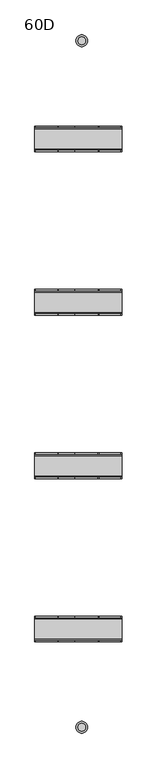
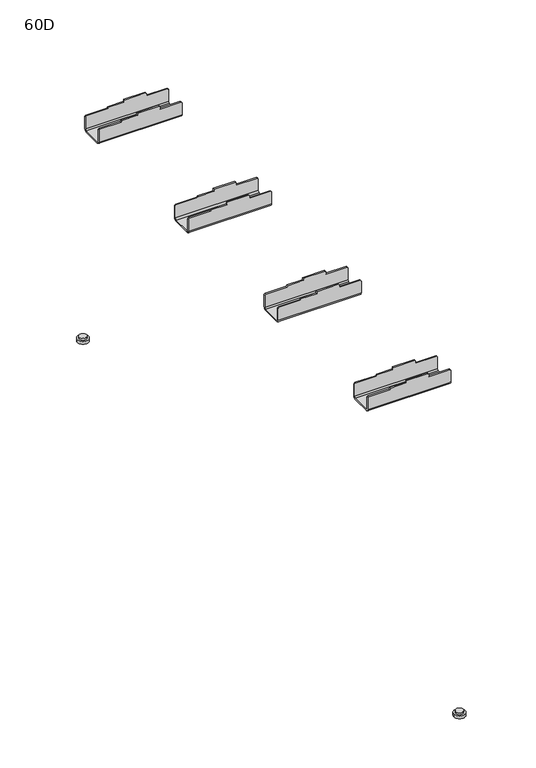
"""IFC4 building model written with IfcOpenShell, lengths in millimetres: furniture geometry, 60D."""

from ifc_helpers import new_model, si_unit, point, frame, frame_2d, origin, origin_with_axes, place, context, project, spatial, polyline, circle_curve, trimmed, segment, composite_curve, outline, extrude, source, transform, mapped, element, save
from ifc_brep_helpers import plane_surface, cylinder_surface, revolved_surface, advanced_brep


def furniture_60d_3f8e38ab(model_context):
    return source(origin(), model_context, "Body", "SolidModel", [
        advanced_brep(
        [(76.0, -500.4956, 652.15), (76.0, -503.4956, 649.15), (76.0, -546.5317055, 649.15), (76.0, -549.4956, 652.1138945), (76.0, -549.4956, 680.3638945), (76.0, -552.4956, 680.3638945), (76.0, -552.4956, 652.1138945), (76.0, -546.5317055, 646.15), (76.0, -503.4956, 646.15), (76.0, -497.4956, 652.15), (76.0, -497.4956, 680.3638945), (76.0, -500.4956, 680.3638945), (-111.0, -497.4956, 652.15), (-111.0, -503.4956, 646.15), (-111.0, -546.5317055, 646.15), (-111.0, -552.4956, 652.1138945), (-111.0, -552.4956, 680.3638945), (-111.0, -549.4956, 680.3638945), (-111.0, -549.4956, 652.1138945), (-111.0, -546.5317055, 649.15), (-111.0, -503.4956, 649.15), (-111.0, -500.4956, 652.15), (-111.0, -500.4956, 680.3638945), (-111.0, -497.4956, 680.3638945), (24.4638945, -497.4956, 690.15), (-24.078125, -497.4956, 690.15), (-24.078125, -500.4956, 690.15), (24.4638945, -500.4956, 690.15), (-109.0, -497.4956, 682.3638945), (-61.5, -497.4956, 682.3638945), (-59.5, -497.4956, 685.1138945), (-24.078125, -497.4956, 685.1138945), (26.5, -497.4956, 688.1138945), (26.5, -497.4956, 682.3638945), (74.0, -497.4956, 682.3638945), (74.0, -552.4956, 682.3638945), (26.5, -552.4956, 682.3638945), (26.5, -552.4956, 688.1138945), (24.5, -552.4956, 690.1138945), (-24.078125, -552.4956, 690.1138945), (-24.078125, -552.4956, 685.1138945), (-59.5, -552.4956, 685.1138945), (-61.5, -552.4956, 682.3638945), (-109.0, -552.4956, 682.3638945), (24.5, -549.4956, 690.1138945), (-24.078125, -549.4956, 690.1138945), (-109.0, -549.4956, 682.3638945), (-61.5, -549.4956, 682.3638945), (-59.5, -549.4956, 685.1138945), (-24.078125, -549.4956, 685.1138945), (26.5, -549.4956, 688.1138945), (26.5, -549.4956, 682.3638945), (74.0, -549.4956, 682.3638945), (74.0, -500.4956, 682.3638945), (26.5, -500.4956, 682.3638945), (26.5, -500.4956, 688.1138945), (-24.078125, -500.4956, 685.1138945), (-59.5, -500.4956, 685.1138945), (-61.5, -500.4956, 682.3638945), (-109.0, -500.4956, 682.3638945)],
        [
            (0, 1, circle_curve(frame((76.0, -503.4956, 652.15), z_axis=(-1.0, 0.0, 0.0), x_axis=(0.0, -1.0, 0.0)), 3.0)),
            (1, 2),
            (2, 3, circle_curve(frame((76.0, -546.5317055, 652.1138945), z_axis=(-1.0, 0.0, 0.0), x_axis=(0.0, -1.0, 0.0)), 2.9638945)),
            (3, 4),
            (4, 5),
            (5, 6),
            (6, 7, circle_curve(frame((76.0, -546.5317055, 652.1138945), z_axis=(1.0, 0.0, 0.0), x_axis=(0.0, -1.0, 0.0)), 5.9638945)),
            (7, 8),
            (8, 9, circle_curve(frame((76.0, -503.4956, 652.15), z_axis=(1.0, 0.0, 0.0), x_axis=(0.0, -1.0, 0.0)), 6.0)),
            (9, 10),
            (10, 11),
            (11, 0),
            (12, 13, circle_curve(frame((-111.0, -503.4956, 652.15), z_axis=(-1.0, 0.0, 0.0), x_axis=(0.0, -1.0, 0.0)), 6.0)),
            (13, 14),
            (14, 15, circle_curve(frame((-111.0, -546.5317055, 652.1138945), z_axis=(-1.0, 0.0, 0.0), x_axis=(0.0, -1.0, 0.0)), 5.9638945)),
            (15, 16),
            (16, 17),
            (17, 18),
            (18, 19, circle_curve(frame((-111.0, -546.5317055, 652.1138945), z_axis=(1.0, 0.0, 0.0), x_axis=(0.0, -1.0, 0.0)), 2.9638945)),
            (19, 20),
            (20, 21, circle_curve(frame((-111.0, -503.4956, 652.15), z_axis=(1.0, 0.0, 0.0), x_axis=(0.0, -1.0, 0.0)), 3.0)),
            (21, 22),
            (22, 23),
            (23, 12),
            (24, 25),
            (25, 26),
            (26, 27),
            (27, 24),
            (9, 12),
            (23, 28),
            (28, 29),
            (29, 30),
            (30, 31),
            (31, 25),
            (24, 32),
            (32, 33),
            (33, 34),
            (34, 10),
            (8, 13),
            (7, 14),
            (6, 15),
            (5, 35),
            (35, 36),
            (36, 37),
            (37, 38),
            (38, 39),
            (39, 40),
            (40, 41),
            (41, 42),
            (42, 43),
            (43, 16),
            (38, 44),
            (44, 45),
            (45, 39),
            (3, 18),
            (17, 46),
            (46, 47),
            (47, 48),
            (48, 49),
            (49, 45),
            (44, 50),
            (50, 51),
            (51, 52),
            (52, 4),
            (2, 19),
            (1, 20),
            (0, 21),
            (11, 53),
            (53, 54),
            (54, 55),
            (55, 27),
            (26, 56),
            (56, 57),
            (57, 58),
            (58, 59),
            (59, 22),
            (52, 35),
            (34, 53),
            (37, 50),
            (55, 32),
            (36, 51),
            (54, 33),
            (49, 40),
            (31, 56),
            (48, 41),
            (30, 57),
            (47, 42),
            (29, 58),
            (46, 43),
            (28, 59),
        ],
        [
            plane_surface(frame((76.0, -500.4956, 690.15), z_axis=(1.0, 0.0, 0.0), x_axis=(0.0, 0.0, -1.0))),
            plane_surface(frame((-111.0, -500.4956, 690.15), z_axis=(-1.0, 0.0, 0.0), x_axis=(0.0, 0.0, 1.0))),
            plane_surface(frame((76.0, -497.4956, 690.15), z_axis=(0.0, 0.0, 1.0), x_axis=(-1.0, 0.0, 0.0))),
            plane_surface(frame((76.0, -497.4956, 652.15), z_axis=(0.0, 1.0, 0.0), x_axis=(-1.0, 0.0, 0.0))),
            cylinder_surface(frame((-111.0, -503.4956, 652.15), z_axis=(1.0, 0.0, 0.0), x_axis=(0.0, -1.0, 0.0)), 6.0),
            plane_surface(frame((76.0, -546.5317055, 646.15), z_axis=(0.0, 0.0, -1.0), x_axis=(-1.0, 0.0, 0.0))),
            cylinder_surface(frame((-111.0, -546.5317055, 652.1138945), z_axis=(1.0, 0.0, 0.0), x_axis=(0.0, -1.0, 0.0)), 5.9638945),
            plane_surface(frame((76.0, -552.4956, 690.1138945), z_axis=(0.0, -1.0, 0.0), x_axis=(-1.0, 0.0, 0.0))),
            plane_surface(frame((76.0, -549.4956, 690.1138945), z_axis=(0.0, 0.0, 1.0), x_axis=(-1.0, 0.0, 0.0))),
            plane_surface(frame((76.0, -549.4956, 652.1138945), z_axis=(0.0, 1.0, 0.0), x_axis=(-1.0, 0.0, 0.0))),
            revolved_surface(polyline([(-111.0, -549.4956000000001, 652.1138945), (76.0, -549.4956000000001, 652.1138945)]), (-111.0, -546.5317055, 652.1138945), (-1.0, 0.0, 0.0)),
            plane_surface(frame((76.0, -503.4956, 649.15), z_axis=(0.0, 0.0, 1.0), x_axis=(-1.0, 0.0, 0.0))),
            revolved_surface(polyline([(-111.0, -506.4956, 652.15), (76.0, -506.4956, 652.15)]), (-111.0, -503.4956, 652.15), (-1.0, 0.0, 0.0)),
            plane_surface(frame((76.0, -500.4956, 690.15), z_axis=(0.0, -1.0, 0.0), x_axis=(-1.0, 0.0, 0.0))),
            plane_surface(frame((76.0, 552.7456, 680.3638945), z_axis=(0.7071067811865596, 0.0, 0.7071067811865356), x_axis=(0.0, -1.0, 0.0))),
            plane_surface(frame((26.5, 552.7456, 688.1138945), z_axis=(0.7071067811865506, 0.0, 0.7071067811865446), x_axis=(0.0, -1.0, 0.0))),
            plane_surface(frame((26.5, 552.7456, 682.3638945), z_axis=(1.0, 0.0, 0.0), x_axis=(0.0, -1.0, 0.0))),
            plane_surface(frame((74.0, 552.7456, 682.3638945), z_axis=(0.0, 0.0, 1.0), x_axis=(0.0, -1.0, 0.0))),
            plane_surface(frame((-24.078125, 552.7456, 690.1138945), z_axis=(-1.0, 0.0, 0.0), x_axis=(0.0, -1.0, 0.0))),
            plane_surface(frame((-24.078125, 552.7456, 685.1138945), z_axis=(0.0, 0.0, 1.0), x_axis=(0.0, -1.0, 0.0))),
            plane_surface(frame((-59.5, 552.7456, 685.1138945), z_axis=(-0.8087360843031073, 0.0, 0.5881716976751581), x_axis=(0.0, -1.0, 0.0))),
            plane_surface(frame((-61.5, 552.7456, 682.3638945), z_axis=(0.0, 0.0, 1.0), x_axis=(0.0, -1.0, 0.0))),
            plane_surface(frame((-109.0, 552.7456, 682.3638945), z_axis=(-0.7071067811865506, 0.0, 0.7071067811865446), x_axis=(0.0, -1.0, 0.0))),
        ],
        [
            (0, [[1, 2, 3, 4, 5, 6, 7, 8, 9, 10, 11, 12]]),
            (1, [[13, 14, 15, 16, 17, 18, 19, 20, 21, 22, 23, 24]]),
            (2, [[25, 26, 27, 28]]),
            (3, [[29, -24, 30, 31, 32, 33, 34, -25, 35, 36, 37, 38, -10]]),
            (4, [[-9, 39, -13, -29]]),
            (5, [[-8, 40, -14, -39]]),
            (6, [[-7, 41, -15, -40]]),
            (7, [[-41, -6, 42, 43, 44, 45, 46, 47, 48, 49, 50, 51, -16]]),
            (8, [[-46, 52, 53, 54]]),
            (9, [[55, -18, 56, 57, 58, 59, 60, -53, 61, 62, 63, 64, -4]]),
            (10, [[-3, 65, -19, -55]]),
            (11, [[-2, 66, -20, -65]]),
            (12, [[-1, 67, -21, -66]]),
            (13, [[-67, -12, 68, 69, 70, 71, -27, 72, 73, 74, 75, 76, -22]]),
            (14, [[77, -42, -5, -64]]),
            (14, [[78, -68, -11, -38]]),
            (15, [[79, -61, -52, -45]]),
            (15, [[80, -35, -28, -71]]),
            (16, [[-79, -44, 81, -62]]),
            (16, [[-80, -70, 82, -36]]),
            (17, [[-81, -43, -77, -63]]),
            (17, [[-82, -69, -78, -37]]),
            (18, [[83, -47, -54, -60]]),
            (18, [[84, -72, -26, -34]]),
            (19, [[-83, -59, 85, -48]]),
            (19, [[-84, -33, 86, -73]]),
            (20, [[-85, -58, 87, -49]]),
            (20, [[-86, -32, 88, -74]]),
            (21, [[-87, -57, 89, -50]]),
            (21, [[-88, -31, 90, -75]]),
            (22, [[-89, -56, -17, -51]]),
            (22, [[-90, -30, -23, -76]]),
        ],
    ),
        advanced_brep(
        [(74.0, -147.5, 682.3638945), (74.0, -150.5, 682.3638945), (76.0, -150.5, 680.3638945), (76.0, -147.5, 680.3638945), (74.0, -199.5, 682.3638945), (74.0, -202.5, 682.3638945), (76.0, -202.5, 680.3638945), (76.0, -199.5, 680.3638945), (26.5, -150.5, 688.1138945), (26.5, -147.5, 688.1138945), (24.4638945, -147.5, 690.15), (24.4638945, -150.5, 690.15), (26.5, -202.5, 688.1138945), (26.5, -199.5, 688.1138945), (24.4638945, -199.5, 690.15), (24.4638945, -202.5, 690.15), (26.5, -150.5, 682.3638945), (26.5, -147.5, 682.3638945), (26.5, -202.5, 682.3638945), (26.5, -199.5, 682.3638945), (-24.078125, -147.5, 685.1138945), (-24.078125, -150.5, 685.1138945), (-24.078125, -150.5, 690.15), (-24.078125, -147.5, 690.15), (-24.078125, -199.5, 685.1138945), (-24.078125, -202.5, 685.1138945), (-24.078125, -202.5, 690.15), (-24.078125, -199.5, 690.15), (-59.5, -147.5, 685.1138945), (-59.5, -150.5, 685.1138945), (-59.5, -199.5, 685.1138945), (-59.5, -202.5, 685.1138945), (-61.5, -147.5, 682.3638945), (-61.5, -150.5, 682.3638945), (-61.5, -199.5, 682.3638945), (-61.5, -202.5, 682.3638945), (-109.0, -147.5, 682.3638945), (-109.0, -150.5, 682.3638945), (-109.0, -199.5, 682.3638945), (-109.0, -202.5, 682.3638945), (-111.0, -147.5, 680.3638945), (-111.0, -150.5, 680.3638945), (-111.0, -199.5, 680.3638945), (-111.0, -202.5, 680.3638945), (76.0, -202.5, 652.1138945), (76.0, -196.5361055, 646.15), (76.0, -153.5, 646.15), (76.0, -147.5, 652.15), (76.0, -150.5, 652.15), (76.0, -153.5, 649.15), (76.0, -196.5361055, 649.15), (76.0, -199.5, 652.1138945), (-111.0, -199.5, 652.1138945), (-111.0, -196.5361055, 649.15), (-111.0, -153.5, 649.15), (-111.0, -150.5, 652.15), (-111.0, -147.5, 652.15), (-111.0, -153.5, 646.15), (-111.0, -196.5361055, 646.15), (-111.0, -202.5, 652.1138945)],
        [
            (0, 1),
            (1, 2),
            (2, 3),
            (3, 0),
            (4, 5),
            (5, 6),
            (6, 7),
            (7, 4),
            (8, 9),
            (9, 10),
            (10, 11),
            (11, 8),
            (12, 13),
            (13, 14),
            (14, 15),
            (15, 12),
            (8, 16),
            (16, 17),
            (17, 9),
            (12, 18),
            (18, 19),
            (19, 13),
            (16, 1),
            (0, 17),
            (18, 5),
            (4, 19),
            (20, 21),
            (21, 22),
            (22, 23),
            (23, 20),
            (24, 25),
            (25, 26),
            (26, 27),
            (27, 24),
            (20, 28),
            (28, 29),
            (29, 21),
            (24, 30),
            (30, 31),
            (31, 25),
            (28, 32),
            (32, 33),
            (33, 29),
            (30, 34),
            (34, 35),
            (35, 31),
            (32, 36),
            (36, 37),
            (37, 33),
            (34, 38),
            (38, 39),
            (39, 35),
            (36, 40),
            (40, 41),
            (41, 37),
            (38, 42),
            (42, 43),
            (43, 39),
            (44, 45, circle_curve(frame((76.0, -196.5361055, 652.1138945), z_axis=(1.0, 0.0, 0.0), x_axis=(0.0, 1.0, 0.0)), 5.9638945)),
            (45, 46),
            (46, 47, circle_curve(frame((76.0, -153.5, 652.15), z_axis=(1.0, 0.0, 0.0), x_axis=(0.0, 1.0, 0.0)), 6.0)),
            (47, 3),
            (2, 48),
            (48, 49, circle_curve(frame((76.0, -153.5, 652.15), z_axis=(-1.0, 0.0, 0.0), x_axis=(0.0, 1.0, 0.0)), 3.0)),
            (49, 50),
            (50, 51, circle_curve(frame((76.0, -196.5361055, 652.1138945), z_axis=(-1.0, 0.0, 0.0), x_axis=(0.0, 1.0, 0.0)), 2.9638945)),
            (51, 7),
            (6, 44),
            (52, 53, circle_curve(frame((-111.0, -196.5361055, 652.1138945), z_axis=(1.0, 0.0, 0.0), x_axis=(0.0, 1.0, 0.0)), 2.9638945)),
            (53, 54),
            (54, 55, circle_curve(frame((-111.0, -153.5, 652.15), z_axis=(1.0, 0.0, 0.0), x_axis=(0.0, 1.0, 0.0)), 3.0)),
            (55, 41),
            (40, 56),
            (56, 57, circle_curve(frame((-111.0, -153.5, 652.15), z_axis=(-1.0, 0.0, 0.0), x_axis=(0.0, 1.0, 0.0)), 6.0)),
            (57, 58),
            (58, 59, circle_curve(frame((-111.0, -196.5361055, 652.1138945), z_axis=(-1.0, 0.0, 0.0), x_axis=(0.0, 1.0, 0.0)), 5.9638945)),
            (59, 43),
            (42, 52),
            (14, 27),
            (26, 15),
            (59, 44),
            (58, 45),
            (57, 46),
            (56, 47),
            (23, 10),
            (22, 11),
            (55, 48),
            (54, 49),
            (53, 50),
            (52, 51),
        ],
        [
            plane_surface(frame((76.0, 552.7456, 680.3638945), z_axis=(0.7071067811865596, 0.0, 0.7071067811865356), x_axis=(0.0, -1.0, 0.0))),
            plane_surface(frame((26.5, 552.7456, 688.1138945), z_axis=(0.7071067811865506, 0.0, 0.7071067811865446), x_axis=(0.0, -1.0, 0.0))),
            plane_surface(frame((26.5, 552.7456, 682.3638945), z_axis=(1.0, 0.0, 0.0), x_axis=(0.0, -1.0, 0.0))),
            plane_surface(frame((74.0, 552.7456, 682.3638945), z_axis=(0.0, 0.0, 1.0), x_axis=(0.0, -1.0, 0.0))),
            plane_surface(frame((-24.078125, 552.7456, 690.1138945), z_axis=(-1.0, 0.0, 0.0), x_axis=(0.0, -1.0, 0.0))),
            plane_surface(frame((-24.078125, 552.7456, 685.1138945), z_axis=(0.0, 0.0, 1.0), x_axis=(0.0, -1.0, 0.0))),
            plane_surface(frame((-59.5, 552.7456, 685.1138945), z_axis=(-0.8087360843031073, 0.0, 0.5881716976751581), x_axis=(0.0, -1.0, 0.0))),
            plane_surface(frame((-61.5, 552.7456, 682.3638945), z_axis=(0.0, 0.0, 1.0), x_axis=(0.0, -1.0, 0.0))),
            plane_surface(frame((-109.0, 552.7456, 682.3638945), z_axis=(-0.7071067811865506, 0.0, 0.7071067811865446), x_axis=(0.0, -1.0, 0.0))),
            plane_surface(frame((76.0, -202.5, 690.15), z_axis=(1.0, 0.0, 0.0), x_axis=(0.0, -1.0, 0.0))),
            plane_surface(frame((-111.0, -202.5, 690.15), z_axis=(-1.0, 0.0, 0.0), x_axis=(0.0, 1.0, 0.0))),
            plane_surface(frame((76.0, -199.5, 690.15), z_axis=(0.0, 0.0, 1.0), x_axis=(-1.0, 0.0, 0.0))),
            plane_surface(frame((76.0, -202.5, 690.15), z_axis=(0.0, -1.0, 0.0), x_axis=(-1.0, 0.0, 0.0))),
            cylinder_surface(frame((-111.0, -196.5361055, 652.1138945), z_axis=(1.0, 0.0, 0.0), x_axis=(0.0, 1.0, 0.0)), 5.9638945),
            plane_surface(frame((76.0, -196.5361055, 646.15), z_axis=(0.0, 0.0, -1.0), x_axis=(-1.0, 0.0, 0.0))),
            cylinder_surface(frame((-111.0, -153.5, 652.15), z_axis=(1.0, 0.0, 0.0), x_axis=(0.0, 1.0, 0.0)), 6.0),
            plane_surface(frame((76.0, -147.5, 652.15), z_axis=(0.0, 1.0, 0.0), x_axis=(-1.0, 0.0, 0.0))),
            plane_surface(frame((76.0, -147.5, 690.15), z_axis=(0.0, 0.0, 1.0), x_axis=(-1.0, 0.0, 0.0))),
            plane_surface(frame((76.0, -150.5, 690.15), z_axis=(0.0, -1.0, 0.0), x_axis=(-1.0, 0.0, 0.0))),
            revolved_surface(polyline([(-111.0, -150.5, 652.15), (76.0, -150.5, 652.15)]), (-111.0, -153.5, 652.15), (-1.0, 0.0, 0.0)),
            plane_surface(frame((76.0, -153.5, 649.15), z_axis=(0.0, 0.0, 1.0), x_axis=(-1.0, 0.0, 0.0))),
            revolved_surface(polyline([(-111.0, -193.57221099999998, 652.1138945), (76.0, -193.57221099999998, 652.1138945)]), (-111.0, -196.5361055, 652.1138945), (-1.0, 0.0, 0.0)),
            plane_surface(frame((76.0, -199.5, 652.1138945), z_axis=(0.0, 1.0, 0.0), x_axis=(-1.0, 0.0, 0.0))),
        ],
        [
            (0, [[1, 2, 3, 4]]),
            (0, [[5, 6, 7, 8]]),
            (1, [[9, 10, 11, 12]]),
            (1, [[13, 14, 15, 16]]),
            (2, [[-9, 17, 18, 19]]),
            (2, [[-13, 20, 21, 22]]),
            (3, [[-18, 23, -1, 24]]),
            (3, [[-21, 25, -5, 26]]),
            (4, [[27, 28, 29, 30]]),
            (4, [[31, 32, 33, 34]]),
            (5, [[-27, 35, 36, 37]]),
            (5, [[-31, 38, 39, 40]]),
            (6, [[-36, 41, 42, 43]]),
            (6, [[-39, 44, 45, 46]]),
            (7, [[-42, 47, 48, 49]]),
            (7, [[-45, 50, 51, 52]]),
            (8, [[-48, 53, 54, 55]]),
            (8, [[-51, 56, 57, 58]]),
            (9, [[59, 60, 61, 62, -3, 63, 64, 65, 66, 67, -7, 68]]),
            (10, [[69, 70, 71, 72, -54, 73, 74, 75, 76, 77, -57, 78]]),
            (11, [[79, -33, 80, -15]]),
            (12, [[81, -68, -6, -25, -20, -16, -80, -32, -40, -46, -52, -58, -77]]),
            (13, [[-59, -81, -76, 82]]),
            (14, [[-60, -82, -75, 83]]),
            (15, [[-61, -83, -74, 84]]),
            (16, [[-84, -73, -53, -47, -41, -35, -30, 85, -10, -19, -24, -4, -62]]),
            (17, [[-85, -29, 86, -11]]),
            (18, [[87, -63, -2, -23, -17, -12, -86, -28, -37, -43, -49, -55, -72]]),
            (19, [[-64, -87, -71, 88]]),
            (20, [[-65, -88, -70, 89]]),
            (21, [[-66, -89, -69, 90]]),
            (22, [[-90, -78, -56, -50, -44, -38, -34, -79, -14, -22, -26, -8, -67]]),
        ],
    ),
        advanced_brep(
        [(76.0, 147.5, 652.1138945), (76.0, 153.5, 646.1138945), (76.0, 196.5, 646.1138945), (76.0, 202.5, 652.1138945), (76.0, 202.5, 680.3638945), (76.0, 199.5, 680.3638945), (76.0, 199.5, 652.1138945), (76.0, 196.5, 649.1138945), (76.0, 153.5, 649.1138945), (76.0, 150.5, 652.1138945), (76.0, 150.5, 680.3638945), (76.0, 147.5, 680.3638945), (-111.0, 150.5, 652.1138945), (-111.0, 153.5, 649.1138945), (-111.0, 196.5, 649.1138945), (-111.0, 199.5, 652.1138945), (-111.0, 199.5, 680.3638945), (-111.0, 202.5, 680.3638945), (-111.0, 202.5, 652.1138945), (-111.0, 196.5, 646.1138945), (-111.0, 153.5, 646.1138945), (-111.0, 147.5, 652.1138945), (-111.0, 147.5, 680.3638945), (-111.0, 150.5, 680.3638945), (24.5, 150.5, 690.1138945), (-24.078125, 150.5, 690.1138945), (-24.078125, 147.5, 690.1138945), (24.5, 147.5, 690.1138945), (74.0, 147.5, 682.3638945), (26.5, 147.5, 682.3638945), (26.5, 147.5, 688.1138945), (-24.078125, 147.5, 685.1138945), (-59.5, 147.5, 685.1138945), (-61.5, 147.5, 682.3638945), (-109.0, 147.5, 682.3638945), (-109.0, 202.5, 682.3638945), (-61.5, 202.5, 682.3638945), (-59.5, 202.5, 685.1138945), (-24.078125, 202.5, 685.1138945), (-24.078125, 202.5, 690.1138945), (24.5, 202.5, 690.1138945), (26.5, 202.5, 688.1138945), (26.5, 202.5, 682.3638945), (74.0, 202.5, 682.3638945), (-24.078125, 199.5, 690.1138945), (24.5, 199.5, 690.1138945), (74.0, 199.5, 682.3638945), (26.5, 199.5, 682.3638945), (26.5, 199.5, 688.1138945), (-24.078125, 199.5, 685.1138945), (-59.5, 199.5, 685.1138945), (-61.5, 199.5, 682.3638945), (-109.0, 199.5, 682.3638945), (-109.0, 150.5, 682.3638945), (-61.5, 150.5, 682.3638945), (-59.5, 150.5, 685.1138945), (-24.078125, 150.5, 685.1138945), (26.5, 150.5, 688.1138945), (26.5, 150.5, 682.3638945), (74.0, 150.5, 682.3638945)],
        [
            (0, 1, circle_curve(frame((76.0, 153.5, 652.1138945), z_axis=(1.0, 0.0, 0.0), x_axis=(0.0, 1.0, 0.0)), 6.0)),
            (1, 2),
            (2, 3, circle_curve(frame((76.0, 196.5, 652.1138945), z_axis=(1.0, 0.0, 0.0), x_axis=(0.0, 1.0, 0.0)), 6.0)),
            (3, 4),
            (4, 5),
            (5, 6),
            (6, 7, circle_curve(frame((76.0, 196.5, 652.1138945), z_axis=(-1.0, 0.0, 0.0), x_axis=(0.0, 1.0, 0.0)), 3.0)),
            (7, 8),
            (8, 9, circle_curve(frame((76.0, 153.5, 652.1138945), z_axis=(-1.0, 0.0, 0.0), x_axis=(0.0, 1.0, 0.0)), 3.0)),
            (9, 10),
            (10, 11),
            (11, 0),
            (12, 13, circle_curve(frame((-111.0, 153.5, 652.1138945), z_axis=(1.0, 0.0, 0.0), x_axis=(0.0, 1.0, 0.0)), 3.0)),
            (13, 14),
            (14, 15, circle_curve(frame((-111.0, 196.5, 652.1138945), z_axis=(1.0, 0.0, 0.0), x_axis=(0.0, 1.0, 0.0)), 3.0)),
            (15, 16),
            (16, 17),
            (17, 18),
            (18, 19, circle_curve(frame((-111.0, 196.5, 652.1138945), z_axis=(-1.0, 0.0, 0.0), x_axis=(0.0, 1.0, 0.0)), 6.0)),
            (19, 20),
            (20, 21, circle_curve(frame((-111.0, 153.5, 652.1138945), z_axis=(-1.0, 0.0, 0.0), x_axis=(0.0, 1.0, 0.0)), 6.0)),
            (21, 22),
            (22, 23),
            (23, 12),
            (24, 25),
            (25, 26),
            (26, 27),
            (27, 24),
            (21, 0),
            (11, 28),
            (28, 29),
            (29, 30),
            (30, 27),
            (26, 31),
            (31, 32),
            (32, 33),
            (33, 34),
            (34, 22),
            (20, 1),
            (19, 2),
            (18, 3),
            (17, 35),
            (35, 36),
            (36, 37),
            (37, 38),
            (38, 39),
            (39, 40),
            (40, 41),
            (41, 42),
            (42, 43),
            (43, 4),
            (39, 44),
            (44, 45),
            (45, 40),
            (15, 6),
            (5, 46),
            (46, 47),
            (47, 48),
            (48, 45),
            (44, 49),
            (49, 50),
            (50, 51),
            (51, 52),
            (52, 16),
            (14, 7),
            (13, 8),
            (12, 9),
            (23, 53),
            (53, 54),
            (54, 55),
            (55, 56),
            (56, 25),
            (24, 57),
            (57, 58),
            (58, 59),
            (59, 10),
            (43, 46),
            (59, 28),
            (48, 41),
            (30, 57),
            (47, 42),
            (29, 58),
            (38, 49),
            (56, 31),
            (37, 50),
            (55, 32),
            (36, 51),
            (54, 33),
            (35, 52),
            (53, 34),
        ],
        [
            plane_surface(frame((76.0, 147.5, 690.1138945), z_axis=(1.0, 0.0, 0.0), x_axis=(0.0, -1.0, 0.0))),
            plane_surface(frame((-111.0, 147.5, 690.1138945), z_axis=(-1.0, 0.0, 0.0), x_axis=(0.0, 1.0, 0.0))),
            plane_surface(frame((76.0, 150.5, 690.1138945), z_axis=(0.0, 0.0, 1.0), x_axis=(-1.0, 0.0, 0.0))),
            plane_surface(frame((76.0, 147.5, 690.1138945), z_axis=(0.0, -1.0, 0.0), x_axis=(-1.0, 0.0, 0.0))),
            cylinder_surface(frame((-111.0, 153.5, 652.1138945), z_axis=(1.0, 0.0, 0.0), x_axis=(0.0, 1.0, 0.0)), 6.0),
            plane_surface(frame((76.0, 153.5, 646.1138945), z_axis=(0.0, 0.0, -1.0), x_axis=(-1.0, 0.0, 0.0))),
            cylinder_surface(frame((-111.0, 196.5, 652.1138945), z_axis=(1.0, 0.0, 0.0), x_axis=(0.0, 1.0, 0.0)), 6.0),
            plane_surface(frame((76.0, 202.5, 652.1138945), z_axis=(0.0, 1.0, 0.0), x_axis=(-1.0, 0.0, 0.0))),
            plane_surface(frame((76.0, 202.5, 690.1138945), z_axis=(0.0, 0.0, 1.0), x_axis=(-1.0, 0.0, 0.0))),
            plane_surface(frame((76.0, 199.5, 690.1138945), z_axis=(0.0, -1.0, 0.0), x_axis=(-1.0, 0.0, 0.0))),
            revolved_surface(polyline([(-111.0, 199.5, 652.1138945), (76.0, 199.5, 652.1138945)]), (-111.0, 196.5, 652.1138945), (-1.0, 0.0, 0.0)),
            plane_surface(frame((76.0, 196.5, 649.1138945), z_axis=(0.0, 0.0, 1.0), x_axis=(-1.0, 0.0, 0.0))),
            revolved_surface(polyline([(-111.0, 156.5, 652.1138945), (76.0, 156.5, 652.1138945)]), (-111.0, 153.5, 652.1138945), (-1.0, 0.0, 0.0)),
            plane_surface(frame((76.0, 150.5, 652.1138945), z_axis=(0.0, 1.0, 0.0), x_axis=(-1.0, 0.0, 0.0))),
            plane_surface(frame((76.0, 552.7456, 680.3638945), z_axis=(0.7071067811865596, 0.0, 0.7071067811865356), x_axis=(0.0, -1.0, 0.0))),
            plane_surface(frame((26.5, 552.7456, 688.1138945), z_axis=(0.7071067811865506, 0.0, 0.7071067811865446), x_axis=(0.0, -1.0, 0.0))),
            plane_surface(frame((26.5, 552.7456, 682.3638945), z_axis=(1.0, 0.0, 0.0), x_axis=(0.0, -1.0, 0.0))),
            plane_surface(frame((74.0, 552.7456, 682.3638945), z_axis=(0.0, 0.0, 1.0), x_axis=(0.0, -1.0, 0.0))),
            plane_surface(frame((-24.078125, 552.7456, 690.1138945), z_axis=(-1.0, 0.0, 0.0), x_axis=(0.0, -1.0, 0.0))),
            plane_surface(frame((-24.078125, 552.7456, 685.1138945), z_axis=(0.0, 0.0, 1.0), x_axis=(0.0, -1.0, 0.0))),
            plane_surface(frame((-59.5, 552.7456, 685.1138945), z_axis=(-0.8087360843031073, 0.0, 0.5881716976751581), x_axis=(0.0, -1.0, 0.0))),
            plane_surface(frame((-61.5, 552.7456, 682.3638945), z_axis=(0.0, 0.0, 1.0), x_axis=(0.0, -1.0, 0.0))),
            plane_surface(frame((-109.0, 552.7456, 682.3638945), z_axis=(-0.7071067811865506, 0.0, 0.7071067811865446), x_axis=(0.0, -1.0, 0.0))),
        ],
        [
            (0, [[1, 2, 3, 4, 5, 6, 7, 8, 9, 10, 11, 12]]),
            (1, [[13, 14, 15, 16, 17, 18, 19, 20, 21, 22, 23, 24]]),
            (2, [[25, 26, 27, 28]]),
            (3, [[29, -12, 30, 31, 32, 33, -27, 34, 35, 36, 37, 38, -22]]),
            (4, [[-1, -29, -21, 39]]),
            (5, [[-2, -39, -20, 40]]),
            (6, [[-3, -40, -19, 41]]),
            (7, [[-41, -18, 42, 43, 44, 45, 46, 47, 48, 49, 50, 51, -4]]),
            (8, [[-47, 52, 53, 54]]),
            (9, [[55, -6, 56, 57, 58, 59, -53, 60, 61, 62, 63, 64, -16]]),
            (10, [[-7, -55, -15, 65]]),
            (11, [[-8, -65, -14, 66]]),
            (12, [[-9, -66, -13, 67]]),
            (13, [[-67, -24, 68, 69, 70, 71, 72, -25, 73, 74, 75, 76, -10]]),
            (14, [[77, -56, -5, -51]]),
            (14, [[78, -30, -11, -76]]),
            (15, [[79, -48, -54, -59]]),
            (15, [[80, -73, -28, -33]]),
            (16, [[-79, -58, 81, -49]]),
            (16, [[-80, -32, 82, -74]]),
            (17, [[-81, -57, -77, -50]]),
            (17, [[-82, -31, -78, -75]]),
            (18, [[83, -60, -52, -46]]),
            (18, [[84, -34, -26, -72]]),
            (19, [[-83, -45, 85, -61]]),
            (19, [[-84, -71, 86, -35]]),
            (20, [[-85, -44, 87, -62]]),
            (20, [[-86, -70, 88, -36]]),
            (21, [[-87, -43, 89, -63]]),
            (21, [[-88, -69, 90, -37]]),
            (22, [[-89, -42, -17, -64]]),
            (22, [[-90, -68, -23, -38]]),
        ],
    ),
        extrude(outline(composite_curve([segment(trimmed(circle_curve(frame_2d((-10.0134902, -735.1087961)), 8.2529367), [point((-18.2664269, -735.1087961))], [point((-1.7605535, -735.1087961))], False, "CARTESIAN"), True, "CONTINUOUS"), segment(trimmed(circle_curve(frame_2d((-10.0134902, -735.1087961)), 8.2529367), [point((-1.7605535, -735.1087961))], [point((-18.2664269, -735.1087961))], False, "CARTESIAN"), True, "CONTINUOUS")], self_intersect=False)), frame((0.0, 0.0, 6.5), z_axis=(0.0, 0.0, 1.0), x_axis=(1.0, 0.0, 0.0)), (0.0, 0.0, 1.0), 4.5),
        extrude(outline(composite_curve([segment(trimmed(circle_curve(frame_2d((-10.0157414, -735.1087961)), 12.5869389), [point((-22.6026802, -735.1087961))], [point((2.5711975, -735.1087961))], False, "CARTESIAN"), True, "CONTINUOUS"), segment(trimmed(circle_curve(frame_2d((-10.0157414, -735.1087961)), 12.5869389), [point((2.5711975, -735.1087961))], [point((-22.6026802, -735.1087961))], False, "CARTESIAN"), True, "CONTINUOUS")], self_intersect=False)), origin_with_axes(), (0.0, 0.0, 1.0), 6.5),
        extrude(outline(composite_curve([segment(trimmed(circle_curve(frame_2d((-10.0134902, 735.1087961)), 8.2529367), [point((-18.2664269, 735.1087961))], [point((-1.7605535, 735.1087961))], False, "CARTESIAN"), True, "CONTINUOUS"), segment(trimmed(circle_curve(frame_2d((-10.0134902, 735.1087961)), 8.2529367), [point((-1.7605535, 735.1087961))], [point((-18.2664269, 735.1087961))], False, "CARTESIAN"), True, "CONTINUOUS")], self_intersect=False)), frame((0.0, 0.0, 6.5), z_axis=(0.0, 0.0, 1.0), x_axis=(1.0, 0.0, 0.0)), (0.0, 0.0, 1.0), 4.5),
        extrude(outline(composite_curve([segment(trimmed(circle_curve(frame_2d((-10.0157414, 735.1087961)), 12.5869389), [point((-22.6026802, 735.1087961))], [point((2.5711975, 735.1087961))], False, "CARTESIAN"), True, "CONTINUOUS"), segment(trimmed(circle_curve(frame_2d((-10.0157414, 735.1087961)), 12.5869389), [point((2.5711975, 735.1087961))], [point((-22.6026802, 735.1087961))], False, "CARTESIAN"), True, "CONTINUOUS")], self_intersect=False)), origin_with_axes(), (0.0, 0.0, 1.0), 6.5),
        advanced_brep(
        [(76.0, 497.4956, 652.15), (76.0, 503.4956, 646.15), (76.0, 546.5317055, 646.15), (76.0, 552.4956, 652.1138945), (76.0, 552.4956, 680.3638945), (76.0, 549.4956, 680.3638945), (76.0, 549.4956, 652.1138945), (76.0, 546.5317055, 649.15), (76.0, 503.4956, 649.15), (76.0, 500.4956, 652.15), (76.0, 500.4956, 680.3638945), (76.0, 497.4956, 680.3638945), (-111.0, 500.4956, 652.15), (-111.0, 503.4956, 649.15), (-111.0, 546.5317055, 649.15), (-111.0, 549.4956, 652.1138945), (-111.0, 549.4956, 680.3638945), (-111.0, 552.4956, 680.3638945), (-111.0, 552.4956, 652.1138945), (-111.0, 546.5317055, 646.15), (-111.0, 503.4956, 646.15), (-111.0, 497.4956, 652.15), (-111.0, 497.4956, 680.3638945), (-111.0, 500.4956, 680.3638945), (24.4638945, 500.4956, 690.15), (-24.078125, 500.4956, 690.15), (-24.078125, 497.4956, 690.15), (24.4638945, 497.4956, 690.15), (74.0, 497.4956, 682.3638945), (26.5, 497.4956, 682.3638945), (26.5, 497.4956, 688.1138945), (-24.078125, 497.4956, 685.1138945), (-59.5, 497.4956, 685.1138945), (-61.5, 497.4956, 682.3638945), (-109.0, 497.4956, 682.3638945), (-109.0, 552.4956, 682.3638945), (-61.5, 552.4956, 682.3638945), (-59.5, 552.4956, 685.1138945), (-24.078125, 552.4956, 685.1138945), (-24.078125, 552.4956, 690.15), (24.4638945, 552.4956, 690.15), (26.5, 552.4956, 688.1138945), (26.5, 552.4956, 682.3638945), (74.0, 552.4956, 682.3638945), (-24.078125, 549.4956, 690.15), (24.4638945, 549.4956, 690.15), (74.0, 549.4956, 682.3638945), (26.5, 549.4956, 682.3638945), (26.5, 549.4956, 688.1138945), (-24.078125, 549.4956, 685.1138945), (-59.5, 549.4956, 685.1138945), (-61.5, 549.4956, 682.3638945), (-109.0, 549.4956, 682.3638945), (-109.0, 500.4956, 682.3638945), (-61.5, 500.4956, 682.3638945), (-59.5, 500.4956, 685.1138945), (-24.078125, 500.4956, 685.1138945), (26.5, 500.4956, 688.1138945), (26.5, 500.4956, 682.3638945), (74.0, 500.4956, 682.3638945)],
        [
            (0, 1, circle_curve(frame((76.0, 503.4956, 652.15), z_axis=(1.0, 0.0, 0.0), x_axis=(0.0, 1.0, 0.0)), 6.0)),
            (1, 2),
            (2, 3, circle_curve(frame((76.0, 546.5317055, 652.1138945), z_axis=(1.0, 0.0, 0.0), x_axis=(0.0, 1.0, 0.0)), 5.9638945)),
            (3, 4),
            (4, 5),
            (5, 6),
            (6, 7, circle_curve(frame((76.0, 546.5317055, 652.1138945), z_axis=(-1.0, 0.0, 0.0), x_axis=(0.0, 1.0, 0.0)), 2.9638945)),
            (7, 8),
            (8, 9, circle_curve(frame((76.0, 503.4956, 652.15), z_axis=(-1.0, 0.0, 0.0), x_axis=(0.0, 1.0, 0.0)), 3.0)),
            (9, 10),
            (10, 11),
            (11, 0),
            (12, 13, circle_curve(frame((-111.0, 503.4956, 652.15), z_axis=(1.0, 0.0, 0.0), x_axis=(0.0, 1.0, 0.0)), 3.0)),
            (13, 14),
            (14, 15, circle_curve(frame((-111.0, 546.5317055, 652.1138945), z_axis=(1.0, 0.0, 0.0), x_axis=(0.0, 1.0, 0.0)), 2.9638945)),
            (15, 16),
            (16, 17),
            (17, 18),
            (18, 19, circle_curve(frame((-111.0, 546.5317055, 652.1138945), z_axis=(-1.0, 0.0, 0.0), x_axis=(0.0, 1.0, 0.0)), 5.9638945)),
            (19, 20),
            (20, 21, circle_curve(frame((-111.0, 503.4956, 652.15), z_axis=(-1.0, 0.0, 0.0), x_axis=(0.0, 1.0, 0.0)), 6.0)),
            (21, 22),
            (22, 23),
            (23, 12),
            (24, 25),
            (25, 26),
            (26, 27),
            (27, 24),
            (21, 0),
            (11, 28),
            (28, 29),
            (29, 30),
            (30, 27),
            (26, 31),
            (31, 32),
            (32, 33),
            (33, 34),
            (34, 22),
            (20, 1),
            (19, 2),
            (18, 3),
            (17, 35),
            (35, 36),
            (36, 37),
            (37, 38),
            (38, 39),
            (39, 40),
            (40, 41),
            (41, 42),
            (42, 43),
            (43, 4),
            (39, 44),
            (44, 45),
            (45, 40),
            (15, 6),
            (5, 46),
            (46, 47),
            (47, 48),
            (48, 45),
            (44, 49),
            (49, 50),
            (50, 51),
            (51, 52),
            (52, 16),
            (14, 7),
            (13, 8),
            (12, 9),
            (23, 53),
            (53, 54),
            (54, 55),
            (55, 56),
            (56, 25),
            (24, 57),
            (57, 58),
            (58, 59),
            (59, 10),
            (43, 46),
            (59, 28),
            (48, 41),
            (30, 57),
            (47, 42),
            (29, 58),
            (38, 49),
            (56, 31),
            (37, 50),
            (55, 32),
            (36, 51),
            (54, 33),
            (35, 52),
            (53, 34),
        ],
        [
            plane_surface(frame((76.0, 497.4956, 690.15), z_axis=(1.0, 0.0, 0.0), x_axis=(0.0, -1.0, 0.0))),
            plane_surface(frame((-111.0, 497.4956, 690.15), z_axis=(-1.0, 0.0, 0.0), x_axis=(0.0, 1.0, 0.0))),
            plane_surface(frame((76.0, 500.4956, 690.15), z_axis=(0.0, 0.0, 1.0), x_axis=(-1.0, 0.0, 0.0))),
            plane_surface(frame((76.0, 497.4956, 690.15), z_axis=(0.0, -1.0, 0.0), x_axis=(-1.0, 0.0, 0.0))),
            cylinder_surface(frame((-111.0, 503.4956, 652.15), z_axis=(1.0, 0.0, 0.0), x_axis=(0.0, 1.0, 0.0)), 6.0),
            plane_surface(frame((76.0, 503.4956, 646.15), z_axis=(0.0, 0.0, -1.0), x_axis=(-1.0, 0.0, 0.0))),
            cylinder_surface(frame((-111.0, 546.5317055, 652.1138945), z_axis=(1.0, 0.0, 0.0), x_axis=(0.0, 1.0, 0.0)), 5.9638945),
            plane_surface(frame((76.0, 552.4956, 652.1138945), z_axis=(0.0, 1.0, 0.0), x_axis=(-1.0, 0.0, 0.0))),
            plane_surface(frame((76.0, 552.4956, 690.15), z_axis=(0.0, 0.0, 1.0), x_axis=(-1.0, 0.0, 0.0))),
            plane_surface(frame((76.0, 549.4956, 690.15), z_axis=(0.0, -1.0, 0.0), x_axis=(-1.0, 0.0, 0.0))),
            revolved_surface(polyline([(-111.0, 549.4956000000001, 652.1138945), (76.0, 549.4956000000001, 652.1138945)]), (-111.0, 546.5317055, 652.1138945), (-1.0, 0.0, 0.0)),
            plane_surface(frame((76.0, 546.5317055, 649.15), z_axis=(0.0, 0.0, 1.0), x_axis=(-1.0, 0.0, 0.0))),
            revolved_surface(polyline([(-111.0, 506.4956, 652.15), (76.0, 506.4956, 652.15)]), (-111.0, 503.4956, 652.15), (-1.0, 0.0, 0.0)),
            plane_surface(frame((76.0, 500.4956, 652.15), z_axis=(0.0, 1.0, 0.0), x_axis=(-1.0, 0.0, 0.0))),
            plane_surface(frame((76.0, 552.7456, 680.3638945), z_axis=(0.7071067811865596, 0.0, 0.7071067811865356), x_axis=(0.0, -1.0, 0.0))),
            plane_surface(frame((26.5, 552.7456, 688.1138945), z_axis=(0.7071067811865506, 0.0, 0.7071067811865446), x_axis=(0.0, -1.0, 0.0))),
            plane_surface(frame((26.5, 552.7456, 682.3638945), z_axis=(1.0, 0.0, 0.0), x_axis=(0.0, -1.0, 0.0))),
            plane_surface(frame((74.0, 552.7456, 682.3638945), z_axis=(0.0, 0.0, 1.0), x_axis=(0.0, -1.0, 0.0))),
            plane_surface(frame((-24.078125, 552.7456, 690.1138945), z_axis=(-1.0, 0.0, 0.0), x_axis=(0.0, -1.0, 0.0))),
            plane_surface(frame((-24.078125, 552.7456, 685.1138945), z_axis=(0.0, 0.0, 1.0), x_axis=(0.0, -1.0, 0.0))),
            plane_surface(frame((-59.5, 552.7456, 685.1138945), z_axis=(-0.8087360843031073, 0.0, 0.5881716976751581), x_axis=(0.0, -1.0, 0.0))),
            plane_surface(frame((-61.5, 552.7456, 682.3638945), z_axis=(0.0, 0.0, 1.0), x_axis=(0.0, -1.0, 0.0))),
            plane_surface(frame((-109.0, 552.7456, 682.3638945), z_axis=(-0.7071067811865506, 0.0, 0.7071067811865446), x_axis=(0.0, -1.0, 0.0))),
        ],
        [
            (0, [[1, 2, 3, 4, 5, 6, 7, 8, 9, 10, 11, 12]]),
            (1, [[13, 14, 15, 16, 17, 18, 19, 20, 21, 22, 23, 24]]),
            (2, [[25, 26, 27, 28]]),
            (3, [[29, -12, 30, 31, 32, 33, -27, 34, 35, 36, 37, 38, -22]]),
            (4, [[-1, -29, -21, 39]]),
            (5, [[-2, -39, -20, 40]]),
            (6, [[-3, -40, -19, 41]]),
            (7, [[-41, -18, 42, 43, 44, 45, 46, 47, 48, 49, 50, 51, -4]]),
            (8, [[-47, 52, 53, 54]]),
            (9, [[55, -6, 56, 57, 58, 59, -53, 60, 61, 62, 63, 64, -16]]),
            (10, [[-7, -55, -15, 65]]),
            (11, [[-8, -65, -14, 66]]),
            (12, [[-9, -66, -13, 67]]),
            (13, [[-67, -24, 68, 69, 70, 71, 72, -25, 73, 74, 75, 76, -10]]),
            (14, [[77, -56, -5, -51]]),
            (14, [[78, -30, -11, -76]]),
            (15, [[79, -48, -54, -59]]),
            (15, [[80, -73, -28, -33]]),
            (16, [[-79, -58, 81, -49]]),
            (16, [[-80, -32, 82, -74]]),
            (17, [[-81, -57, -77, -50]]),
            (17, [[-82, -31, -78, -75]]),
            (18, [[83, -60, -52, -46]]),
            (18, [[84, -34, -26, -72]]),
            (19, [[-83, -45, 85, -61]]),
            (19, [[-84, -71, 86, -35]]),
            (20, [[-85, -44, 87, -62]]),
            (20, [[-86, -70, 88, -36]]),
            (21, [[-87, -43, 89, -63]]),
            (21, [[-88, -69, 90, -37]]),
            (22, [[-89, -42, -17, -64]]),
            (22, [[-90, -68, -23, -38]]),
        ],
    ),
    ])


if __name__ == "__main__":
    model = new_model("IFC4")
    model_context = context("Model", 3, world=origin())
    ifc_project = project(units=[si_unit("LENGTHUNIT", "METRE", prefix="MILLI")], contexts=[model_context])
    site = spatial("IfcSite", under=ifc_project)
    building = spatial("IfcBuilding", under=site)
    placement = place(None, origin())
    furniture_60d_shape = furniture_60d_3f8e38ab(model_context)
    element("IfcFurniture", 1, ObjectType="60D", at=placement, inside=building, context=model_context, shape_type="MappedRepresentation", body=[
        mapped(furniture_60d_shape, transform((0.0, 0.0, 0.0), x_axis=(1.0, 0.0, 0.0), y_axis=(0.0, 1.0, 0.0), z_axis=(0.0, 0.0, 1.0))),
    ])
    save(model, "model.ifc")
